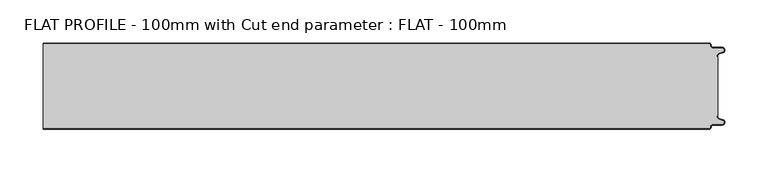
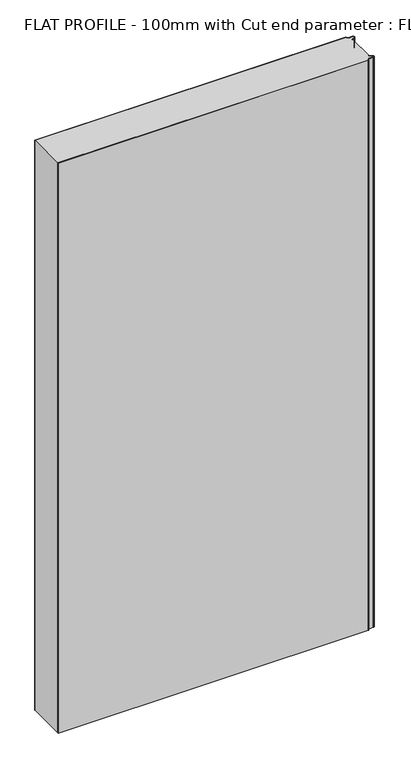
"""IFC4 building model written with IfcOpenShell, lengths in millimetres: proxy geometry, FLAT PROFILE - 100mm with Cut end parameter : FLAT - 100mm."""

from ifc_helpers import new_model, si_unit, point, frame_2d, origin, origin_with_axes, place, context, project, spatial, polyline, circle_curve, trimmed, segment, composite_curve, outline, extrude, source, transform, mapped, element, save


def flat_profile_100mm_with_cut_end_parameter_flat_100mm_e04d2c36(model_context):
    return source(origin(), model_context, "Body", "SweptSolid", [
        extrude(outline(composite_curve([segment(trimmed(circle_curve(frame_2d((596.9047345, 47.4926459)), 1.5073578), [point((596.902372, 49.0000019))], [point((598.4115951, 47.4539337))], False, "CARTESIAN"), True, "CONTINUOUS"), segment(trimmed(circle_curve(frame_2d((601.9112919, 47.5000019)), 3.5), [point((598.4115951, 47.4539337))], [point((601.9112919, 44.0000019))], True, "CARTESIAN"), True, "CONTINUOUS"), segment(polyline([(601.9112919, 44.0000019), (612.3116271, 44.0000019)]), True, "CONTINUOUS"), segment(trimmed(circle_curve(frame_2d((612.3116271, 41.9000019)), 2.1), [point((612.3116271, 44.0000019))], [point((613.0435993, 39.9316988))], False, "CARTESIAN"), True, "CONTINUOUS"), segment(polyline([(613.0435993, 39.9316988), (610.7828028, 39.1063001), (607.8546835, 37.9154156)]), True, "CONTINUOUS"), segment(trimmed(circle_curve(frame_2d((608.9399875, 35.2468953)), 2.8807786), [point((607.8546835, 37.9154156))], [point((606.0682599, 35.475074))], True, "CARTESIAN"), True, "CONTINUOUS"), segment(polyline([(606.0682599, 35.475074), (606.0107004, 34.2522232), (607.0118076, 34.2522232), (607.0118076, -34.2522195), (606.0107004, -34.2522195), (606.0682599, -35.4750703)]), True, "CONTINUOUS"), segment(trimmed(circle_curve(frame_2d((608.9399875, -35.2468916)), 2.8807786), [point((606.0682599, -35.4750703))], [point((607.8546835, -37.9154119))], True, "CARTESIAN"), True, "CONTINUOUS"), segment(polyline([(607.8546835, -37.9154119), (610.7828028, -39.1062964), (613.0435993, -39.9316951)]), True, "CONTINUOUS"), segment(trimmed(circle_curve(frame_2d((612.3116271, -41.8999981)), 2.1), [point((613.0435993, -39.9316951))], [point((612.3116271, -43.9999981))], False, "CARTESIAN"), True, "CONTINUOUS"), segment(polyline([(612.3116271, -43.9999981), (601.9112919, -43.9999981)]), True, "CONTINUOUS"), segment(trimmed(circle_curve(frame_2d((601.9112919, -47.4999981)), 3.5), [point((601.9112919, -43.9999981))], [point((598.4115951, -47.45393))], True, "CARTESIAN"), True, "CONTINUOUS"), segment(trimmed(circle_curve(frame_2d((596.9047345, -47.4926422)), 1.5073578), [point((598.4115951, -47.45393))], [point((596.902372, -48.9999981))], False, "CARTESIAN"), True, "CONTINUOUS"), segment(polyline([(596.902372, -48.9999981), (-175.2963136, -48.9999981), (-175.2963136, 49.0000019), (596.902372, 49.0000019)]), True, "CONTINUOUS")], self_intersect=False)), origin_with_axes(), (0.0, 0.0, 1.0), 1500.0),
        extrude(outline(composite_curve([segment(trimmed(circle_curve(frame_2d((596.9047345, 47.4926459)), 2.5073578), [point((596.9016875, 50.0000019))], [point((599.4117582, 47.4517176))], False, "CARTESIAN"), True, "CONTINUOUS"), segment(trimmed(circle_curve(frame_2d((601.9112919, 47.5000019)), 2.5), [point((599.4117582, 47.4517176))], [point((601.9112919, 45.0000019))], True, "CARTESIAN"), True, "CONTINUOUS"), segment(polyline([(601.9112919, 45.0000019), (612.3116271, 45.0000019)]), True, "CONTINUOUS"), segment(trimmed(circle_curve(frame_2d((612.3116271, 41.9000019)), 3.1), [point((612.3116271, 45.0000019))], [point((613.3890842, 38.9932707))], False, "CARTESIAN"), True, "CONTINUOUS"), segment(polyline([(613.3890842, 38.9932707), (611.1427659, 38.1731578), (608.2411829, 37.0549269)]), True, "CONTINUOUS"), segment(trimmed(circle_curve(frame_2d((609.0514567, 35.1592666)), 2.0615701), [point((608.2411829, 37.0549269))], [point((607.0118076, 35.4591051))], True, "CARTESIAN"), True, "CONTINUOUS"), segment(polyline([(607.0118076, 35.4591051), (607.0118076, 34.2522232), (606.0107004, 34.2522232), (606.0682599, 35.475074)]), True, "CONTINUOUS"), segment(trimmed(circle_curve(frame_2d((608.9399875, 35.2468953)), 2.8807786), [point((606.0682599, 35.475074))], [point((607.8546835, 37.9154156))], False, "CARTESIAN"), True, "CONTINUOUS"), segment(polyline([(607.8546835, 37.9154156), (610.7828028, 39.1063001), (613.0435993, 39.9316988)]), True, "CONTINUOUS"), segment(trimmed(circle_curve(frame_2d((612.3116271, 41.9000019)), 2.1), [point((613.0435993, 39.9316988))], [point((612.3116271, 44.0000019))], True, "CARTESIAN"), True, "CONTINUOUS"), segment(polyline([(612.3116271, 44.0000019), (601.9112919, 44.0000019)]), True, "CONTINUOUS"), segment(trimmed(circle_curve(frame_2d((601.9112919, 47.5000019)), 3.5), [point((601.9112919, 44.0000019))], [point((598.4115951, 47.4539337))], False, "CARTESIAN"), True, "CONTINUOUS"), segment(trimmed(circle_curve(frame_2d((596.9047345, 47.4926459)), 1.5073578), [point((598.4115951, 47.4539337))], [point((596.902372, 49.0000019))], True, "CARTESIAN"), True, "CONTINUOUS"), segment(polyline([(596.902372, 49.0000019), (-175.2963136, 49.0000019), (-175.2963136, 50.0000019), (596.9016875, 50.0000019)]), True, "CONTINUOUS")], self_intersect=False)), origin_with_axes(), (0.0, 0.0, 1.0), 1500.0),
        extrude(outline(composite_curve([segment(trimmed(circle_curve(frame_2d((596.9047345, -47.4926422)), 1.5073578), [point((596.902372, -48.9999981))], [point((598.4115951, -47.45393))], True, "CARTESIAN"), True, "CONTINUOUS"), segment(trimmed(circle_curve(frame_2d((601.9112919, -47.4999981)), 3.5), [point((598.4115951, -47.45393))], [point((601.9112919, -43.9999981))], False, "CARTESIAN"), True, "CONTINUOUS"), segment(polyline([(601.9112919, -43.9999981), (612.3116271, -43.9999981)]), True, "CONTINUOUS"), segment(trimmed(circle_curve(frame_2d((612.3116271, -41.8999981)), 2.1), [point((612.3116271, -43.9999981))], [point((613.0435993, -39.9316951))], True, "CARTESIAN"), True, "CONTINUOUS"), segment(polyline([(613.0435993, -39.9316951), (610.7828028, -39.1062964), (607.8546835, -37.9154119)]), True, "CONTINUOUS"), segment(trimmed(circle_curve(frame_2d((608.9399875, -35.2468916)), 2.8807786), [point((607.8546835, -37.9154119))], [point((606.0682599, -35.4750703))], False, "CARTESIAN"), True, "CONTINUOUS"), segment(polyline([(606.0682599, -35.4750703), (606.0107004, -34.2522195), (607.0118076, -34.2522195), (607.0118076, -35.4591014)]), True, "CONTINUOUS"), segment(trimmed(circle_curve(frame_2d((609.0514567, -35.1592629)), 2.0615701), [point((607.0118076, -35.4591014))], [point((608.2411829, -37.0549231))], True, "CARTESIAN"), True, "CONTINUOUS"), segment(polyline([(608.2411829, -37.0549231), (611.1427659, -38.1731541), (613.3890842, -38.993267)]), True, "CONTINUOUS"), segment(trimmed(circle_curve(frame_2d((612.3116271, -41.8999981)), 3.1), [point((613.3890842, -38.993267))], [point((612.3116271, -44.9999981))], False, "CARTESIAN"), True, "CONTINUOUS"), segment(polyline([(612.3116271, -44.9999981), (601.9112919, -44.9999981)]), True, "CONTINUOUS"), segment(trimmed(circle_curve(frame_2d((601.9112919, -47.4999981)), 2.5), [point((601.9112919, -44.9999981))], [point((599.4117582, -47.4517139))], True, "CARTESIAN"), True, "CONTINUOUS"), segment(trimmed(circle_curve(frame_2d((596.9047345, -47.4926422)), 2.5073578), [point((599.4117582, -47.4517139))], [point((596.9016875, -49.9999981))], False, "CARTESIAN"), True, "CONTINUOUS"), segment(polyline([(596.9016875, -49.9999981), (-175.2963136, -49.9999981), (-175.2963136, -48.9999981), (596.902372, -48.9999981)]), True, "CONTINUOUS")], self_intersect=False)), origin_with_axes(), (0.0, 0.0, 1.0), 1500.0),
    ])


if __name__ == "__main__":
    model = new_model("IFC4")
    model_context = context("Model", 3, world=origin())
    ifc_project = project(units=[si_unit("LENGTHUNIT", "METRE", prefix="MILLI")], contexts=[model_context])
    site = spatial("IfcSite", under=ifc_project)
    building = spatial("IfcBuilding", under=site)
    placement = place(None, origin())
    flat_profile_100mm_with_cut_end_parameter_flat_100mm_shape = flat_profile_100mm_with_cut_end_parameter_flat_100mm_e04d2c36(model_context)
    element("IfcBuildingElementProxy", 1, Name="FLAT PROFILE - 100mm with Cut end parameter : FLAT - 100mm", ObjectType="FLAT PROFILE - 100mm with Cut end parameter : FLAT - 100mm", at=placement, inside=building, context=model_context, shape_type="MappedRepresentation", body=[
        mapped(flat_profile_100mm_with_cut_end_parameter_flat_100mm_shape, transform((0.0, 0.0, 0.0), x_axis=(1.0, 0.0, 0.0), y_axis=(0.0, 1.0, 0.0), z_axis=(0.0, 0.0, 1.0))),
    ])
    save(model, "model.ifc")
